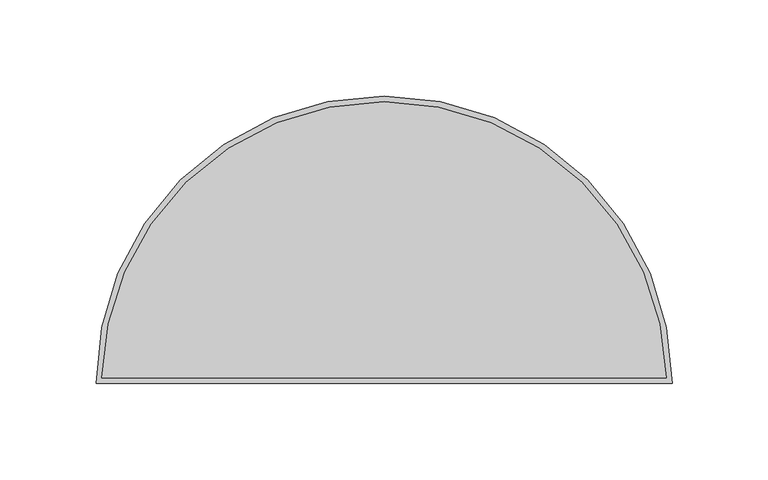
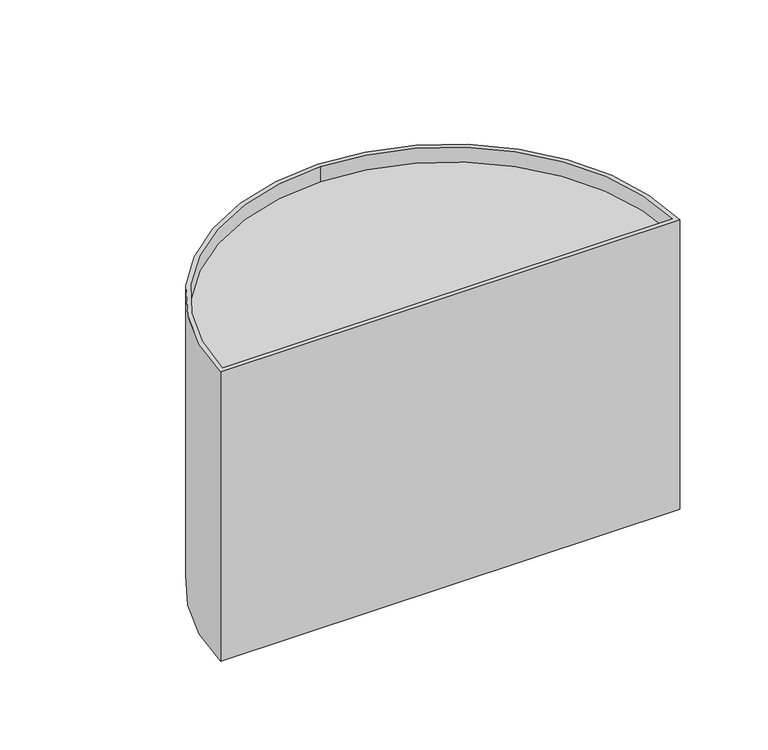
"""IFC4 building model written with IfcOpenShell, lengths in millimetres: furniture geometry."""

from ifc_helpers import new_model, si_unit, point, frame, frame_2d, origin, place, context, project, spatial, polyline, circle_curve, trimmed, segment, composite_curve, outline, extrude, source, transform, mapped, element, save
from ifc_brep_helpers import plane_surface, cylinder_surface, revolved_surface, advanced_brep


def furniture_82ee2a16(model_context):
    return source(origin(), model_context, "Body", "SolidModel", [
        advanced_brep(
        [(-21.9693846, 178.0, 453.0), (271.9693846, 178.0, 453.0), (125.0, 322.0, 453.0), (275.0, 175.0, 450.0), (-25.0, 175.0, 450.0), (125.0, 325.0, 450.0), (275.0, 175.0, 650.0), (125.0, 325.0, 650.0), (-25.0, 175.0, 650.0), (271.9693846, 178.0, 650.0), (-21.9693846, 178.0, 650.0), (125.0, 322.0, 650.0)],
        [
            (0, 1),
            (1, 2, circle_curve(frame((125.0, 175.0, 453.0), z_axis=(0.0, 0.0, 1.0), x_axis=(0.9997917317482362, 0.020408163265294665, 0.0)), 147.0)),
            (2, 0, circle_curve(frame((125.0, 175.0, 453.0), z_axis=(0.0, 0.0, 1.0), x_axis=(0.0, 1.0, 0.0)), 147.0)),
            (3, 4),
            (4, 5, circle_curve(frame((125.0, 175.0, 450.0), z_axis=(0.0, 0.0, -1.0), x_axis=(0.0, 1.0, 0.0)), 150.0)),
            (5, 3, circle_curve(frame((125.0, 175.0, 450.0), z_axis=(0.0, 0.0, -1.0), x_axis=(1.0, 0.0, 0.0)), 150.0)),
            (6, 7, circle_curve(frame((125.0, 175.0, 650.0), z_axis=(0.0, 0.0, 1.0), x_axis=(1.0, 0.0, 0.0)), 150.0)),
            (7, 8, circle_curve(frame((125.0, 175.0, 650.0), z_axis=(0.0, 0.0, 1.0), x_axis=(0.0, 1.0, 0.0)), 150.0)),
            (8, 6),
            (9, 10),
            (10, 11, circle_curve(frame((125.0, 175.0, 650.0), z_axis=(0.0, 0.0, -1.0), x_axis=(0.0, 1.0, 0.0)), 147.0)),
            (11, 9, circle_curve(frame((125.0, 175.0, 650.0), z_axis=(0.0, 0.0, -1.0), x_axis=(0.9997917317482362, 0.020408163265294665, 0.0)), 147.0)),
            (6, 3),
            (5, 7),
            (4, 8),
            (9, 1),
            (0, 10),
            (2, 11),
        ],
        [
            plane_surface(frame((271.9693846, 178.0, 453.0), z_axis=(0.0, 0.0, 1.0), x_axis=(1.0, 0.0, 0.0))),
            plane_surface(frame((271.9693846, 178.0, 450.0), z_axis=(0.0, 0.0, -1.0), x_axis=(-1.0, 0.0, 0.0))),
            plane_surface(frame((275.0, 175.0, 650.0), z_axis=(0.0, 0.0, 1.0), x_axis=(0.0, 1.0, 0.0))),
            cylinder_surface(frame((125.0, 175.0, 450.0), z_axis=(0.0, 0.0, 1.0), x_axis=(1.0, 0.0, 0.0)), 150.0),
            cylinder_surface(frame((125.0, 175.0, 450.0), z_axis=(0.0, 0.0, 1.0), x_axis=(0.0, 1.0, 0.0)), 150.0),
            plane_surface(frame((-25.0, 175.0, 650.0), z_axis=(0.0, -1.0, 0.0), x_axis=(0.0, 0.0, -1.0))),
            plane_surface(frame((271.9693846, 178.0, 650.0), z_axis=(0.0, 1.0, 0.0), x_axis=(0.0, 0.0, -1.0))),
            revolved_surface(polyline([(125.0, 322.0, 453.0), (125.0, 322.0, 650.0)]), (125.0, 175.0, -400.0), (0.0, 0.0, -1.0)),
            revolved_surface(polyline([(271.9693845669907, 177.99999999999832, 453.0), (271.9693845669907, 177.99999999999832, 650.0)]), (125.0, 175.0, -400.0), (0.0, 0.0, -1.0)),
        ],
        [
            (0, [[1, 2, 3]]),
            (1, [[4, 5, 6]]),
            (2, [[7, 8, 9], [10, 11, 12]]),
            (3, [[-7, 13, -6, 14]]),
            (4, [[-8, -14, -5, 15]]),
            (5, [[-9, -15, -4, -13]]),
            (6, [[-10, 16, -1, 17]]),
            (7, [[-11, -17, -3, 18]]),
            (8, [[-12, -18, -2, -16]]),
        ],
    ),
        extrude(outline(composite_curve([segment(trimmed(circle_curve(frame_2d((125.0, 175.0)), 147.0), [point((-21.9693846, 178.0))], [point((125.0, 322.0))], False, "CARTESIAN"), True, "CONTINUOUS"), segment(trimmed(circle_curve(frame_2d((125.0, 175.0)), 147.0), [point((125.0, 322.0))], [point((271.9693846, 178.0))], False, "CARTESIAN"), True, "CONTINUOUS"), segment(polyline([(271.9693846, 178.0), (-21.9693846, 178.0)]), True, "CONTINUOUS")], self_intersect=False)), frame((0.0, 0.0, 637.0), z_axis=(0.0, 0.0, 1.0), x_axis=(1.0, 0.0, 0.0)), (0.0, 0.0, 1.0), 3.0),
    ])


if __name__ == "__main__":
    model = new_model("IFC4")
    model_context = context("Model", 3, world=origin())
    ifc_project = project(units=[si_unit("LENGTHUNIT", "METRE", prefix="MILLI")], contexts=[model_context])
    site = spatial("IfcSite", under=ifc_project)
    building = spatial("IfcBuilding", under=site)
    placement = place(None, origin())
    furniture_shape = furniture_82ee2a16(model_context)
    element("IfcFurniture", 1, at=placement, inside=building, context=model_context, shape_type="MappedRepresentation", body=[
        mapped(furniture_shape, transform((0.0, 0.0, 0.0), x_axis=(1.0, 0.0, 0.0), y_axis=(0.0, 1.0, 0.0), z_axis=(0.0, 0.0, 1.0))),
    ])
    save(model, "model.ifc")
